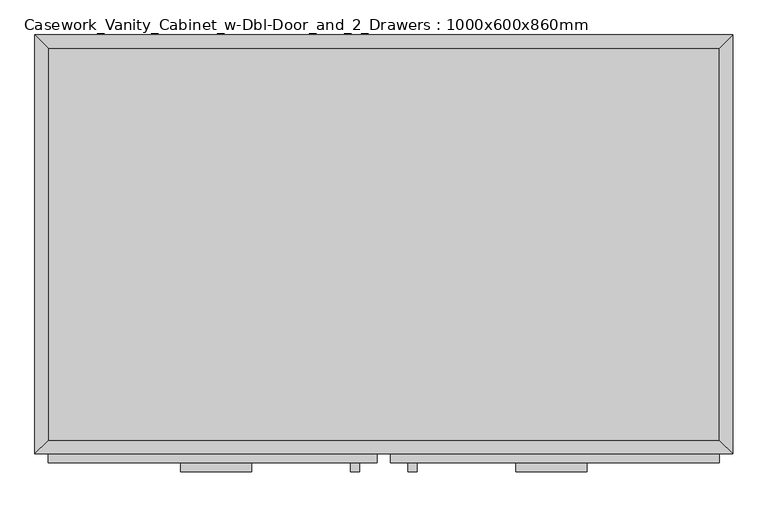
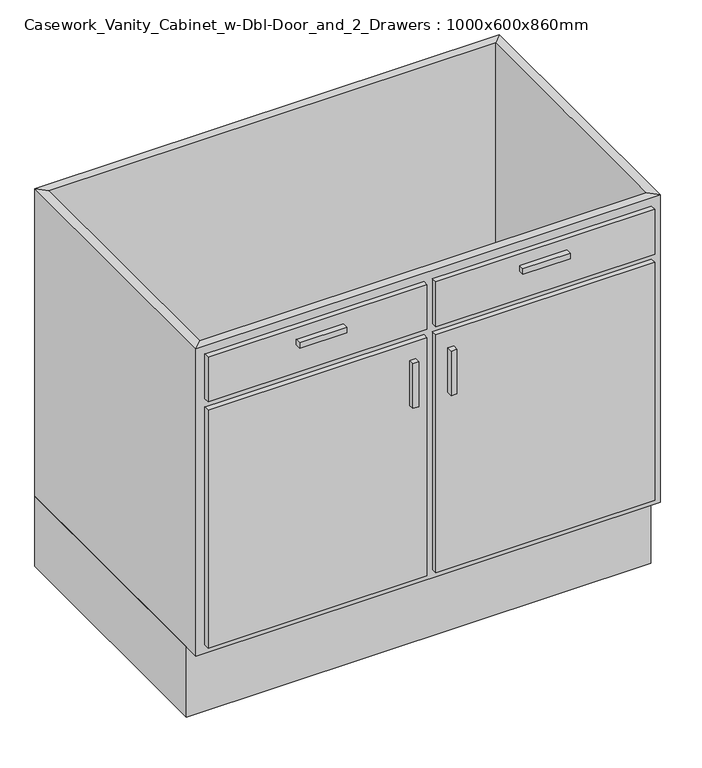
"""IFC4 building model written with IfcOpenShell, lengths in millimetres: furniture geometry, Casework_Vanity_Cabinet_w-Dbl-Door_and_2_Drawers : 1000x600x860mm."""

from ifc_helpers import new_model, si_unit, frame, origin, origin_with_axes, place, context, project, spatial, polyline, outline, extrude, faceted_brep, source, transform, mapped, element, save


def casework_vanity_cabinet_w_dbl_door_and_2_drawers_48b56d26(model_context):
    return source(origin(), model_context, "Body", "SolidModel", [
        extrude(outline(polyline([(518.7377049, 0.0), (518.7377049, -565.0), (-481.2622951, -565.0), (-481.2622951, 0.0), (518.7377049, 0.0)])), origin_with_axes(), (0.0, 0.0, 1.0), 160.0),
        faceted_brep([(499.6877049, -580.95, 860.0), (499.6877049, -580.95, 160.0), (-462.2122951, -580.95, 160.0), (-462.2122951, -580.95, 860.0), (518.7377049, -600.0, 860.0), (-481.2622951, -600.0, 860.0), (518.7377049, -600.0, 160.0), (-481.2622951, -600.0, 160.0), (-462.2122951, -19.05, 160.0), (-462.2122951, -19.05, 860.0), (-481.2622951, 0.0, 860.0), (-481.2622951, 0.0, 160.0), (499.6877049, -19.05, 160.0), (499.6877049, -19.05, 860.0), (518.7377049, 0.0, 860.0), (518.7377049, 0.0, 160.0)], [[[0, 1, 2, 3]], [[4, 0, 3, 5]], [[6, 4, 5, 7]], [[1, 6, 7, 2]], [[3, 2, 8, 9]], [[5, 3, 9, 10]], [[7, 5, 10, 11]], [[2, 7, 11, 8]], [[9, 8, 12, 13]], [[10, 9, 13, 14]], [[11, 10, 14, 15]], [[8, 11, 15, 12]], [[13, 12, 1, 0]], [[14, 13, 0, 4]], [[15, 14, 4, 6]], [[12, 15, 6, 1]]]),
        extrude(outline(polyline([(499.6877049, -19.05), (499.6877049, -580.95), (-462.2122951, -580.95), (-462.2122951, -19.05), (499.6877049, -19.05)])), frame((0.0, 0.0, 160.0), z_axis=(0.0, 0.0, 1.0), x_axis=(1.0, 0.0, 0.0)), (0.0, 0.0, 1.0), 19.05),
        extrude(outline(polyline([(9.2127049, -612.7), (-462.2122951, -612.7), (-462.2122951, -600.0), (9.2127049, -600.0), (9.2127049, -612.7)])), frame((0.0, 0.0, 739.35), z_axis=(0.0, 0.0, 1.0), x_axis=(1.0, 0.0, 0.0)), (0.0, 0.0, 1.0), 101.6),
        extrude(outline(polyline([(499.6877049, -612.7), (28.2627049, -612.7), (28.2627049, -600.0), (499.6877049, -600.0), (499.6877049, -612.7)])), frame((0.0, 0.0, 739.35), z_axis=(0.0, 0.0, 1.0), x_axis=(1.0, 0.0, 0.0)), (0.0, 0.0, 1.0), 101.6),
        extrude(outline(polyline([(9.2127049, -612.7), (-462.2122951, -612.7), (-462.2122951, -600.0), (9.2127049, -600.0), (9.2127049, -612.7)])), frame((0.0, 0.0, 179.05), z_axis=(0.0, 0.0, 1.0), x_axis=(1.0, 0.0, 0.0)), (0.0, 0.0, 1.0), 541.25),
        extrude(outline(polyline([(499.6877049, -612.7), (28.2627049, -612.7), (28.2627049, -600.0), (499.6877049, -600.0), (499.6877049, -612.7)])), frame((0.0, 0.0, 179.05), z_axis=(0.0, 0.0, 1.0), x_axis=(1.0, 0.0, 0.0)), (0.0, 0.0, 1.0), 541.25),
        extrude(outline(polyline([(-170.9372951, -625.4), (-272.5372951, -625.4), (-272.5372951, -612.7), (-170.9372951, -612.7), (-170.9372951, -625.4)])), frame((0.0, 0.0, 802.85), z_axis=(0.0, 0.0, 1.0), x_axis=(1.0, 0.0, 0.0)), (0.0, 0.0, 1.0), 12.7),
        extrude(outline(polyline([(310.0127049, -625.4), (208.4127049, -625.4), (208.4127049, -612.7), (310.0127049, -612.7), (310.0127049, -625.4)])), frame((0.0, 0.0, 802.85), z_axis=(0.0, 0.0, 1.0), x_axis=(1.0, 0.0, 0.0)), (0.0, 0.0, 1.0), 12.7),
        extrude(outline(polyline([(-16.1872951, -625.4), (-28.8872951, -625.4), (-28.8872951, -612.7), (-16.1872951, -612.7), (-16.1872951, -625.4)])), frame((0.0, 0.0, 580.6), z_axis=(0.0, 0.0, 1.0), x_axis=(1.0, 0.0, 0.0)), (0.0, 0.0, 1.0), 101.6),
        extrude(outline(polyline([(66.3627049, -625.4), (53.6627049, -625.4), (53.6627049, -612.7), (66.3627049, -612.7), (66.3627049, -625.4)])), frame((0.0, 0.0, 580.6), z_axis=(0.0, 0.0, 1.0), x_axis=(1.0, 0.0, 0.0)), (0.0, 0.0, 1.0), 101.6),
    ])


if __name__ == "__main__":
    model = new_model("IFC4")
    model_context = context("Model", 3, world=origin())
    ifc_project = project(units=[si_unit("LENGTHUNIT", "METRE", prefix="MILLI")], contexts=[model_context])
    site = spatial("IfcSite", under=ifc_project)
    building = spatial("IfcBuilding", under=site)
    placement = place(None, origin())
    casework_vanity_cabinet_w_dbl_door_and_2_drawers_shape = casework_vanity_cabinet_w_dbl_door_and_2_drawers_48b56d26(model_context)
    element("IfcFurniture", 1, ObjectType="Casework_Vanity_Cabinet_w-Dbl-Door_and_2_Drawers : 1000x600x860mm", at=placement, inside=building, context=model_context, shape_type="MappedRepresentation", body=[
        mapped(casework_vanity_cabinet_w_dbl_door_and_2_drawers_shape, transform((0.0, 0.0, 0.0), x_axis=(1.0, 0.0, 0.0), y_axis=(0.0, 1.0, 0.0), z_axis=(0.0, 0.0, 1.0))),
    ])
    save(model, "model.ifc")
